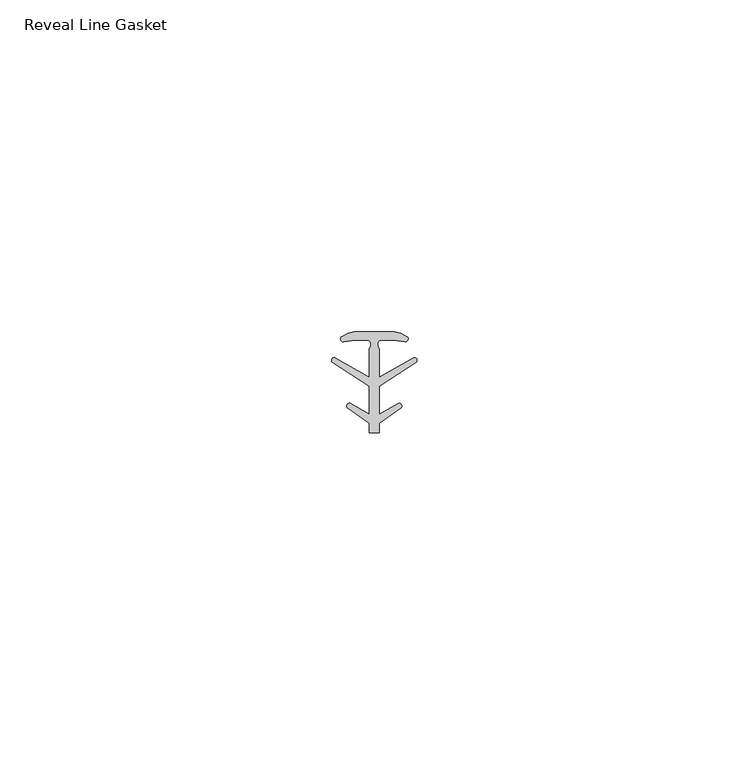
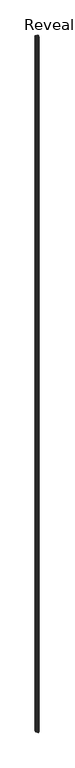
"""IFC4 building model written with IfcOpenShell, lengths in millimetres: proxy geometry, Reveal Line Gasket."""

from ifc_helpers import new_model, si_unit, point, frame, frame_2d, origin, place, context, project, spatial, polyline, circle_curve, trimmed, segment, composite_curve, outline, extrude, source, transform, mapped, element, save


def reveal_line_gasket_dc232fe8(model_context):
    return source(origin(), model_context, "Body", "SweptSolid", [
        extrude(outline(composite_curve([segment(polyline([(2.999107, 7.6326998), (3.9545998, 7.4091917), (4.8875754, 6.8813059)]), True, "CONTINUOUS"), segment(trimmed(circle_curve(frame_2d((4.6855864, 6.5243141)), 0.4101739), [point((4.8875754, 6.8813059))], [point((4.5932418, 6.1246704))], False, "CARTESIAN"), True, "CONTINUOUS"), segment(polyline([(4.5932418, 6.1246704), (2.8970156, 6.3626997), (0.8645598, 6.3626997)]), True, "CONTINUOUS"), segment(trimmed(circle_curve(frame_2d((1.2810328, 5.6959605)), 0.786124), [point((0.8645598, 6.3626997))], [point((0.7769821, 5.0926996))], True, "CARTESIAN"), True, "CONTINUOUS"), segment(polyline([(0.7769821, 5.0926996), (0.7769821, 0.7492996), (5.9386365, 3.7293824)]), True, "CONTINUOUS"), segment(trimmed(circle_curve(frame_2d((6.0040832, 3.3132479)), 0.4212495), [point((5.9386365, 3.7293824))], [point((6.3317429, 3.0485022))], False, "CARTESIAN"), True, "CONTINUOUS"), segment(polyline([(6.3317429, 3.0485022), (0.7769821, -0.5742594), (0.7769821, -4.8262978), (3.6526367, -3.1660374)]), True, "CONTINUOUS"), segment(trimmed(circle_curve(frame_2d((3.7109925, -3.5978728)), 0.4357605), [point((3.6526367, -3.1660374))], [point((4.0557951, -3.864328))], False, "CARTESIAN"), True, "CONTINUOUS"), segment(polyline([(4.0557951, -3.864328), (0.7769821, -6.1944059), (0.7769821, -7.6326998), (-0.778768, -7.6326998), (-0.778768, -6.1944059), (-4.0575811, -3.864328)]), True, "CONTINUOUS"), segment(trimmed(circle_curve(frame_2d((-3.7127785, -3.5978728)), 0.4357605), [point((-4.0575811, -3.864328))], [point((-3.6544226, -3.1660374))], False, "CARTESIAN"), True, "CONTINUOUS"), segment(polyline([(-3.6544226, -3.1660374), (-0.778768, -4.8262978), (-0.778768, -0.5742594), (-6.3335288, 3.0485022)]), True, "CONTINUOUS"), segment(trimmed(circle_curve(frame_2d((-6.0058691, 3.3132479)), 0.4212495), [point((-6.3335288, 3.0485022))], [point((-5.9404224, 3.7293824))], False, "CARTESIAN"), True, "CONTINUOUS"), segment(polyline([(-5.9404224, 3.7293824), (-0.778768, 0.7492996), (-0.778768, 5.0926996)]), True, "CONTINUOUS"), segment(trimmed(circle_curve(frame_2d((-1.2828188, 5.6959605)), 0.786124), [point((-0.778768, 5.0926996))], [point((-0.8663457, 6.3626997))], True, "CARTESIAN"), True, "CONTINUOUS"), segment(polyline([(-0.8663457, 6.3626997), (-2.8988015, 6.3626997), (-4.5950277, 6.1246704)]), True, "CONTINUOUS"), segment(trimmed(circle_curve(frame_2d((-4.6873723, 6.5243141)), 0.4101739), [point((-4.5950277, 6.1246704))], [point((-4.8893614, 6.8813059))], False, "CARTESIAN"), True, "CONTINUOUS"), segment(polyline([(-4.8893614, 6.8813059), (-3.9563857, 7.4091917), (-3.000893, 7.6326998), (2.999107, 7.6326998)]), True, "CONTINUOUS")], self_intersect=False)), frame((0.0, 0.0, 84.836), z_axis=(0.0, 0.0, 1.0), x_axis=(1.0, 0.0, 0.0)), (0.0, 0.0, 1.0), 2953.5959014),
    ])


if __name__ == "__main__":
    model = new_model("IFC4")
    model_context = context("Model", 3, world=origin())
    ifc_project = project(units=[si_unit("LENGTHUNIT", "METRE", prefix="MILLI")], contexts=[model_context])
    site = spatial("IfcSite", under=ifc_project)
    building = spatial("IfcBuilding", under=site)
    placement = place(None, origin())
    reveal_line_gasket_shape = reveal_line_gasket_dc232fe8(model_context)
    element("IfcBuildingElementProxy", 1, Name="Reveal Line Gasket", ObjectType="Reveal Line Gasket", at=placement, inside=building, context=model_context, shape_type="MappedRepresentation", body=[
        mapped(reveal_line_gasket_shape, transform((0.0, 0.0, 0.0), x_axis=(1.0, 0.0, 0.0), y_axis=(0.0, 1.0, 0.0), z_axis=(0.0, 0.0, 1.0))),
    ])
    save(model, "model.ifc")
